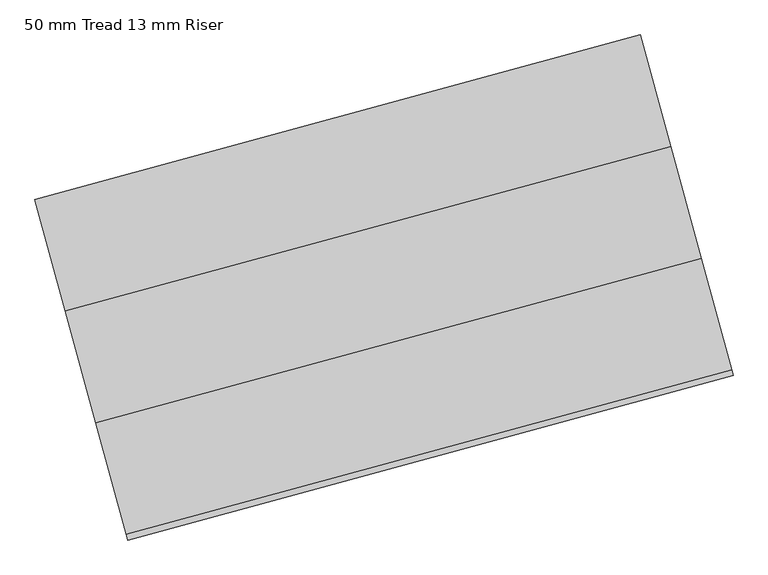
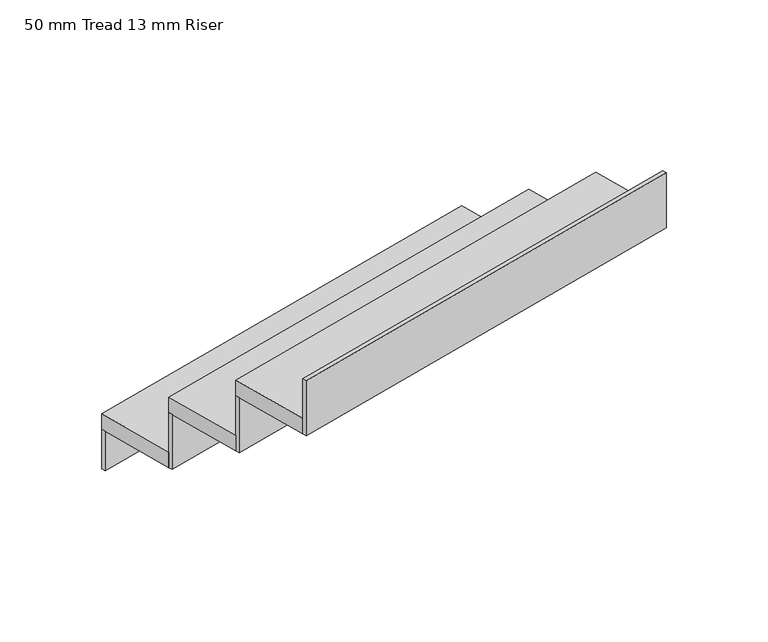
"""IFC4 building model written with IfcOpenShell, lengths in millimetres: stair flight geometry, 50 mm Tread 13 mm Riser."""

import ifcopenshell
import ifcopenshell.guid

model = None  # the IFC model being written
_history = None  # IfcOwnerHistory: only IFC2X3 demands one
_inside = {}  # id of a spatial element -> (the spatial element, [elements in it])
_under = {}  # id of a project, library or spatial element -> (it, [spatial elements below it])
_declared = {}  # id of a project -> (the project, [libraries it declares])
_typed = {}  # id of a type object -> (the type object, [elements of that type])
_made_of = {}  # id of a material, layer set ... -> (it, [elements and type objects made of it])


def new_model(schema):
    """Start an empty IFC model of exactly this schema.

    Asked for "IFC4X3", IfcOpenShell would pick the latest addendum, in which some entities
    have other attributes; the version numbers below select the first issue.
    IFC2X3 requires an IfcOwnerHistory on every rooted entity: one is made here for all.
    """
    global model, _history
    if schema == "IFC4X3":
        model = ifcopenshell.file(schema_version=(4, 3, 0, 0))
    else:
        model = ifcopenshell.file(schema=schema)
    _inside.clear()
    _under.clear()
    _declared.clear()
    _typed.clear()
    _made_of.clear()
    _history = None
    if model.schema == "IFC2X3":
        org = make("IfcOrganization", Name="unknown")
        user = make(
            "IfcPersonAndOrganization",
            ThePerson=make("IfcPerson", FamilyName="unknown"),
            TheOrganization=org,
        )
        app = make(
            "IfcApplication",
            ApplicationDeveloper=org,
            Version="unknown",
            ApplicationFullName="unknown",
            ApplicationIdentifier="unknown",
        )
        _history = make(
            "IfcOwnerHistory",
            OwningUser=user,
            OwningApplication=app,
            ChangeAction="ADDED",
            CreationDate=0,
        )
    return model


def make(cls, **values):
    """One entity of the class cls with the attributes given. An attribute that is None is left unset."""
    return model.create_entity(
        cls, **{name: value for name, value in values.items() if value is not None}
    )


def rooted(cls, **values):
    """An entity with a GlobalId (a new one), such as an element, a storey or a relation."""
    return make(cls, GlobalId=ifcopenshell.guid.new(), OwnerHistory=_history, **values)


def si_unit(unit_type, name, prefix=None):
    """IfcSIUnit, for example si_unit("LENGTHUNIT", "METRE", prefix="MILLI")."""
    return make("IfcSIUnit", UnitType=unit_type, Prefix=prefix, Name=name)


def assignment(units):
    """IfcUnitAssignment: the units of a project."""
    return None if units is None else make("IfcUnitAssignment", Units=units)


def point(xyz):
    """IfcCartesianPoint."""
    return None if xyz is None else make("IfcCartesianPoint", Coordinates=xyz)


def direction(xyz):
    """IfcDirection."""
    return None if xyz is None else make("IfcDirection", DirectionRatios=xyz)


def frame(location, z_axis=None, x_axis=None):
    """IfcAxis2Placement3D, a coordinate frame: its origin and axes. An axis left out is left unset."""
    return make(
        "IfcAxis2Placement3D",
        Location=point(location),
        Axis=direction(z_axis),
        RefDirection=direction(x_axis),
    )


def origin():
    """The frame at (0, 0, 0) with its axes left unset."""
    return frame((0.0, 0.0, 0.0))


def origin_with_axes():
    """The frame at (0, 0, 0) with the z axis (0, 0, 1) and the x axis (1, 0, 0) written out."""
    return frame((0.0, 0.0, 0.0), z_axis=(0.0, 0.0, 1.0), x_axis=(1.0, 0.0, 0.0))


def place(relative_to, where):
    """IfcLocalPlacement: puts the frame where relative to a parent placement (None: the world)."""
    return make(
        "IfcLocalPlacement", PlacementRelTo=relative_to, RelativePlacement=where
    )


def context(
    kind, dimensions, precision=None, world=None, true_north=None, identifier=None
):
    """IfcGeometricRepresentationContext, for example the 3D "Model" context."""
    return make(
        "IfcGeometricRepresentationContext",
        ContextIdentifier=identifier,
        ContextType=kind,
        CoordinateSpaceDimension=dimensions,
        Precision=precision,
        WorldCoordinateSystem=world,
        TrueNorth=true_north,
    )


def project(units=None, contexts=None):
    """IfcProject with its units and contexts."""
    return rooted(
        "IfcProject",
        Name="project",
        RepresentationContexts=contexts,
        UnitsInContext=assignment(units),
    )


def spatial(cls, under=None, at=None, **own):
    """A site, building, storey or space (cls), placed at a placement, below another one or the project."""
    s = rooted(cls, ObjectPlacement=at, **own)
    if under is not None:
        _under.setdefault(under.id(), (under, []))[1].append(s)
    return s


def polyline(points):
    """IfcPolyline through the points."""
    return make("IfcPolyline", Points=[point(p) for p in points])


def outline(outer, holes=None, kind="AREA"):
    """IfcArbitraryClosedProfileDef: a profile drawn as a closed curve; with holes, ...WithVoids."""
    if holes is None:
        return make("IfcArbitraryClosedProfileDef", ProfileType=kind, OuterCurve=outer)
    return make(
        "IfcArbitraryProfileDefWithVoids",
        ProfileType=kind,
        OuterCurve=outer,
        InnerCurves=holes,
    )


def extrude(swept, where, along, depth):
    """IfcExtrudedAreaSolid: the profile swept, set in the frame where, extruded along a direction by depth."""
    return make(
        "IfcExtrudedAreaSolid",
        SweptArea=swept,
        Position=where,
        ExtrudedDirection=direction(along),
        Depth=depth,
    )


def shape(context_of_items, identifier, shape_type, items):
    """IfcShapeRepresentation: the items that make up one representation, for example the "Body"."""
    return make(
        "IfcShapeRepresentation",
        ContextOfItems=context_of_items,
        RepresentationIdentifier=identifier,
        RepresentationType=shape_type,
        Items=items,
    )


def source(mapping_origin, context_of_items, identifier, shape_type, items):
    """IfcRepresentationMap: a shape defined once, which mapped items show again and again."""
    return make(
        "IfcRepresentationMap",
        MappingOrigin=mapping_origin,
        MappedRepresentation=shape(context_of_items, identifier, shape_type, items),
    )


def transform(
    local_origin,
    x_axis=None,
    y_axis=None,
    z_axis=None,
    scale=None,
    scale2=None,
    scale3=None,
    uniform=True,
):
    """IfcCartesianTransformationOperator3D, or its non-uniform kind. x_axis, y_axis, z_axis: its Axis1, 2, 3."""
    if uniform:
        return make(
            "IfcCartesianTransformationOperator3D",
            Axis1=direction(x_axis),
            Axis2=direction(y_axis),
            LocalOrigin=point(local_origin),
            Scale=scale,
            Axis3=direction(z_axis),
        )
    return make(
        "IfcCartesianTransformationOperator3DnonUniform",
        Axis1=direction(x_axis),
        Axis2=direction(y_axis),
        LocalOrigin=point(local_origin),
        Scale=scale,
        Axis3=direction(z_axis),
        Scale2=scale2,
        Scale3=scale3,
    )


def mapped(mapping_source, mapping_target):
    """IfcMappedItem: shows the shape of a source again, moved by a transform."""
    return make(
        "IfcMappedItem", MappingSource=mapping_source, MappingTarget=mapping_target
    )


def made_of(thing, what):
    """Note that an element or type object is made of a material, layer set ...; save() writes the relation."""
    if what is not None:
        _made_of.setdefault(what.id(), (what, []))[1].append(thing)
    return thing


def element(
    cls,
    number,
    at=None,
    inside=None,
    cuts=None,
    type_object=None,
    material=None,
    context=None,
    identifier="Body",
    shape_type=None,
    held_by="IfcProductDefinitionShape",
    body=None,
    shapes=None,
    **own,
):
    """One element of the class cls, such as IfcWall. Its Tag is "e" and its number.

    at: its placement. inside: the storey or other place that contains it. cuts: it is an
    opening in that element (IfcRelVoidsElement). A single representation is given by context,
    identifier, shape_type and body (its items); several are given by shapes. held_by: the class
    of the entity that holds the representations. save() writes the other relations.
    """
    e = rooted(cls, Tag="e%d" % number, ObjectPlacement=at, **own)
    if body is not None:
        shapes = [shape(context, identifier, shape_type, body)]
    if shapes is not None:
        e.Representation = make(held_by, Representations=shapes)
    if inside is not None:
        _inside.setdefault(inside.id(), (inside, []))[1].append(e)
    if cuts is not None:
        rooted(
            "IfcRelVoidsElement", RelatingBuildingElement=cuts, RelatedOpeningElement=e
        )
    if type_object is not None:
        _typed.setdefault(type_object.id(), (type_object, []))[1].append(e)
    return made_of(e, material)


def aggregate(whole, parts):
    """IfcRelAggregates: a whole, such as a stair, and the parts it consists of."""
    return rooted("IfcRelAggregates", RelatingObject=whole, RelatedObjects=parts)


def save(model, path):
    """Write the relations noted so far, then the file.

    IfcRelAggregates (storeys below a building ...), IfcRelContainedInSpatialStructure (elements
    in a storey), IfcRelDefinesByType, IfcRelAssociatesMaterial and IfcRelDeclares: one each for
    every whole, place, type object, material and project.
    """
    for whole, parts in _under.values():
        aggregate(whole, parts)
    for where, things in _inside.values():
        rooted(
            "IfcRelContainedInSpatialStructure",
            RelatedElements=things,
            RelatingStructure=where,
        )
    for kind, things in _typed.values():
        rooted("IfcRelDefinesByType", RelatedObjects=things, RelatingType=kind)
    for what, things in _made_of.values():
        rooted("IfcRelAssociatesMaterial", RelatedObjects=things, RelatingMaterial=what)
    for by, libraries in _declared.values():
        rooted("IfcRelDeclares", RelatingContext=by, RelatedDefinitions=libraries)
    model.write(path)


def stair_flight_50_mm_tread_13_mm_riser_ef87828b(model_context):
    return source(origin(), model_context, "Body", "SweptSolid", [
        extrude(outline(polyline([(248996.9425668, 52703.8892153), (248993.6639564, 52715.951583), (250300.1083468, 53071.0495514), (250303.3869573, 53058.9871837), (248996.9425668, 52703.8892153)])), origin_with_axes(), (0.0, 0.0, 1.0), 127.7777778),
        extrude(outline(polyline([(250365.6805561, 52829.8021983), (249059.2361656, 52474.7042299), (248993.6639564, 52715.951583), (250300.1083468, 53071.0495514), (250365.6805561, 52829.8021983)])), frame((0.0, 0.0, 127.7777778), z_axis=(0.0, 0.0, 1.0), x_axis=(1.0, 0.0, 0.0)), (0.0, 0.0, 1.0), 50.0),
        extrude(outline(polyline([(249062.5147761, 52462.6418623), (249059.2361656, 52474.7042299), (250365.6805561, 52829.8021983), (250368.9591666, 52817.7398306), (249062.5147761, 52462.6418623)])), frame((0.0, 0.0, 127.7777778), z_axis=(0.0, 0.0, 1.0), x_axis=(1.0, 0.0, 0.0)), (0.0, 0.0, 1.0), 177.7777778),
        extrude(outline(polyline([(250431.2527654, 52588.5548452), (249124.8083749, 52233.4568768), (249059.2361656, 52474.7042299), (250365.6805561, 52829.8021983), (250431.2527654, 52588.5548452)])), frame((0.0, 0.0, 305.5555556), z_axis=(0.0, 0.0, 1.0), x_axis=(1.0, 0.0, 0.0)), (0.0, 0.0, 1.0), 50.0),
        extrude(outline(polyline([(249128.0869854, 52221.3945092), (249124.8083749, 52233.4568768), (250431.2527654, 52588.5548452), (250434.5313758, 52576.4924775), (249128.0869854, 52221.3945092)])), frame((0.0, 0.0, 305.5555556), z_axis=(0.0, 0.0, 1.0), x_axis=(1.0, 0.0, 0.0)), (0.0, 0.0, 1.0), 177.7777778),
        extrude(outline(polyline([(249193.6591946, 51980.1471561), (249190.3805842, 51992.2095237), (250496.8249746, 52347.3074921), (250500.1035851, 52335.2451244), (249193.6591946, 51980.1471561)])), frame((0.0, 0.0, 483.3333333), z_axis=(0.0, 0.0, 1.0), x_axis=(1.0, 0.0, 0.0)), (0.0, 0.0, 1.0), 177.7777778),
        extrude(outline(polyline([(250496.8249746, 52347.3074921), (249190.3805842, 51992.2095237), (249124.8083749, 52233.4568768), (250431.2527654, 52588.5548452), (250496.8249746, 52347.3074921)])), frame((0.0, 0.0, 483.3333333), z_axis=(0.0, 0.0, 1.0), x_axis=(1.0, 0.0, 0.0)), (0.0, 0.0, 1.0), 50.0),
    ])


if __name__ == "__main__":
    model = new_model("IFC4")
    model_context = context("Model", 3, world=origin())
    ifc_project = project(units=[si_unit("LENGTHUNIT", "METRE", prefix="MILLI")], contexts=[model_context])
    site = spatial("IfcSite", under=ifc_project)
    building = spatial("IfcBuilding", under=site)
    placement = place(None, origin())
    stair_flight_50_mm_tread_13_mm_riser_shape = stair_flight_50_mm_tread_13_mm_riser_ef87828b(model_context)
    element("IfcStairFlight", 1, ObjectType="50 mm Tread 13 mm Riser", at=placement, inside=building, context=model_context, shape_type="MappedRepresentation", body=[
        mapped(stair_flight_50_mm_tread_13_mm_riser_shape, transform((0.0, 0.0, 0.0), x_axis=(1.0, 0.0, 0.0), y_axis=(0.0, 1.0, 0.0), z_axis=(0.0, 0.0, 1.0))),
    ])
    save(model, "model.ifc")
